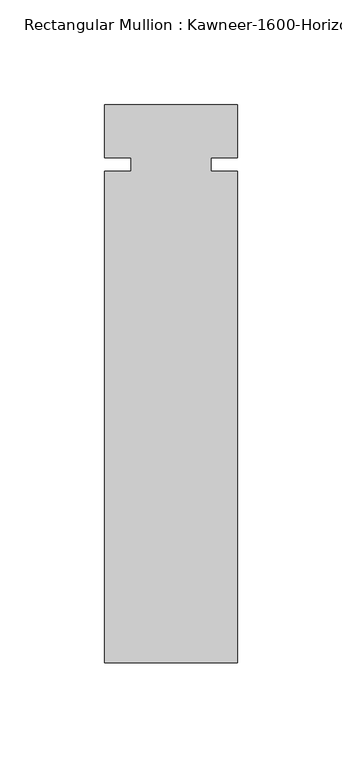
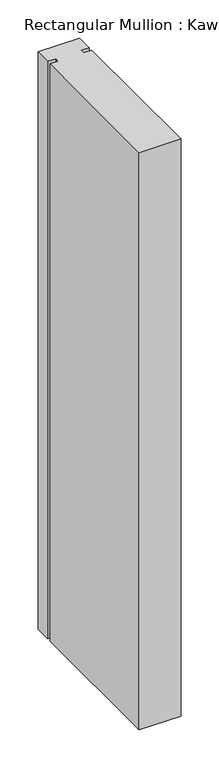
"""IFC4 building model written with IfcOpenShell, lengths in millimetres: member geometry."""

from ifc_helpers import new_model, si_unit, frame, origin, place, context, project, spatial, polyline, outline, extrude, source, transform, mapped, element, save


def member_b597321c(model_context):
    return source(origin(), model_context, "Body", "SweptSolid", [
        extrude(outline(polyline([(31.75, -238.125), (-31.75, -238.125), (-31.75, -3.175), (-19.05, -3.175), (-19.05, 3.175), (-31.75, 3.175), (-31.75, 28.575), (31.75, 28.575), (31.75, 3.175), (19.05, 3.175), (19.05, -3.175), (31.75, -3.175), (31.75, -238.125)])), frame((0.0, 0.0, -927.1), z_axis=(0.0, 0.0, 1.0), x_axis=(1.0, 0.0, 0.0)), (0.0, 0.0, 1.0), 927.1),
    ])


if __name__ == "__main__":
    model = new_model("IFC4")
    model_context = context("Model", 3, world=origin())
    ifc_project = project(units=[si_unit("LENGTHUNIT", "METRE", prefix="MILLI")], contexts=[model_context])
    site = spatial("IfcSite", under=ifc_project)
    building = spatial("IfcBuilding", under=site)
    placement = place(None, origin())
    member_shape = member_b597321c(model_context)
    element("IfcMember", 1, ObjectType="Rectangular Mullion : Kawneer-1600-Horizontal_Interior-System1-10_1/2\"-1/4\"Infill", at=placement, inside=building, context=model_context, shape_type="MappedRepresentation", body=[
        mapped(member_shape, transform((0.0, 0.0, 0.0), x_axis=(1.0, 0.0, 0.0), y_axis=(0.0, 1.0, 0.0), z_axis=(0.0, 0.0, 1.0))),
    ])
    save(model, "model.ifc")
